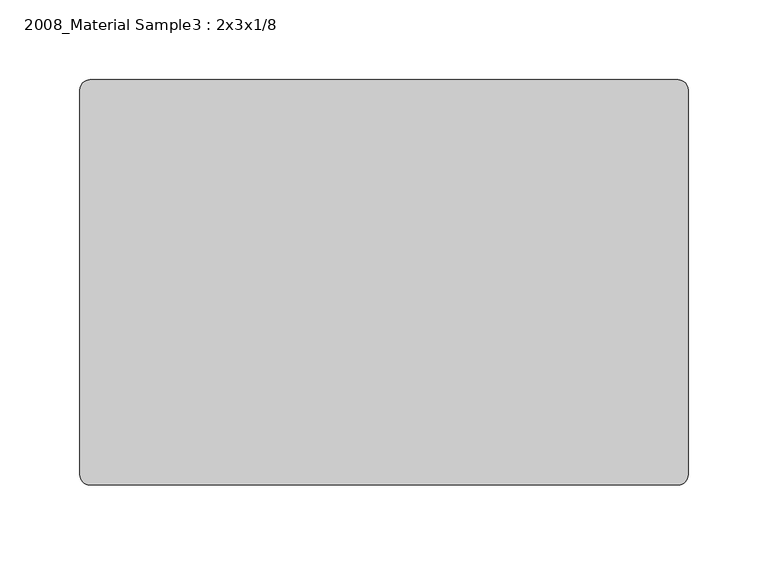
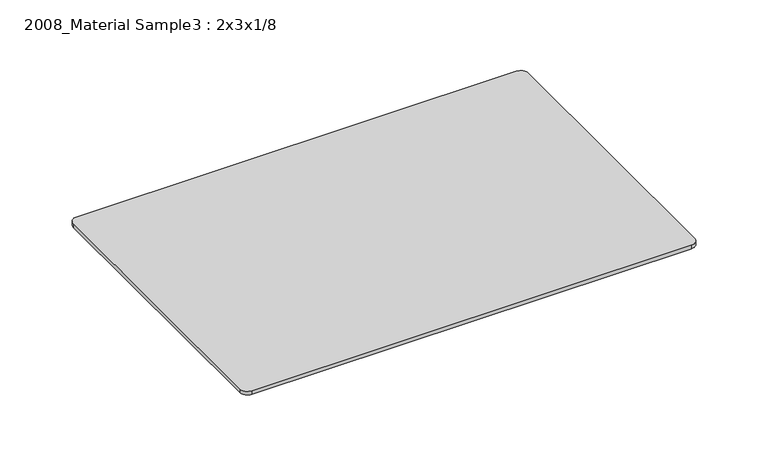
"""IFC4 building model written with IfcOpenShell, lengths in millimetres: furniture geometry, 2008_Material Sample3 : 2x3x1/8."""

from ifc_helpers import new_model, si_unit, point, frame, frame_2d, origin, place, context, project, spatial, polyline, circle_curve, trimmed, segment, composite_curve, outline, extrude, source, transform, mapped, element, save


def furniture_2008_material_sample3_2x3x1_8_96bf408c(model_context):
    return source(origin(), model_context, "Body", "SweptSolid", [
        extrude(outline(composite_curve([segment(trimmed(circle_curve(frame_2d((21215.2392185, 10811.8982463)), 6.35), [point((21215.2392185, 10818.2482463))], [point((21221.5892185, 10811.8982463))], False, "CARTESIAN"), True, "CONTINUOUS"), segment(polyline([(21221.5892185, 10811.8982463), (21221.5892185, 10570.5982463)]), True, "CONTINUOUS"), segment(trimmed(circle_curve(frame_2d((21215.2392185, 10570.5982463)), 6.35), [point((21221.5892185, 10570.5982463))], [point((21215.2392185, 10564.2482463))], False, "CARTESIAN"), True, "CONTINUOUS"), segment(polyline([(21215.2392185, 10564.2482463), (20846.9392185, 10564.2482463)]), True, "CONTINUOUS"), segment(trimmed(circle_curve(frame_2d((20846.9392185, 10570.5982463)), 6.35), [point((20846.9392185, 10564.2482463))], [point((20840.5892185, 10570.5982463))], False, "CARTESIAN"), True, "CONTINUOUS"), segment(polyline([(20840.5892185, 10570.5982463), (20840.5892185, 10811.8982463)]), True, "CONTINUOUS"), segment(trimmed(circle_curve(frame_2d((20846.9392185, 10811.8982463)), 6.35), [point((20840.5892185, 10811.8982463))], [point((20846.9392185, 10818.2482463))], False, "CARTESIAN"), True, "CONTINUOUS"), segment(polyline([(20846.9392185, 10818.2482463), (21215.2392185, 10818.2482463)]), True, "CONTINUOUS")], self_intersect=False)), frame((0.0, 0.0, -3.175), z_axis=(0.0, 0.0, 1.0), x_axis=(1.0, 0.0, 0.0)), (0.0, 0.0, 1.0), 3.175),
    ])


if __name__ == "__main__":
    model = new_model("IFC4")
    model_context = context("Model", 3, world=origin())
    ifc_project = project(units=[si_unit("LENGTHUNIT", "METRE", prefix="MILLI")], contexts=[model_context])
    site = spatial("IfcSite", under=ifc_project)
    building = spatial("IfcBuilding", under=site)
    placement = place(None, origin())
    furniture_2008_material_sample3_2x3x1_8_shape = furniture_2008_material_sample3_2x3x1_8_96bf408c(model_context)
    element("IfcFurniture", 1, ObjectType="2008_Material Sample3 : 2x3x1/8", at=placement, inside=building, context=model_context, shape_type="MappedRepresentation", body=[
        mapped(furniture_2008_material_sample3_2x3x1_8_shape, transform((0.0, 0.0, 0.0), x_axis=(1.0, 0.0, 0.0), y_axis=(0.0, 1.0, 0.0), z_axis=(0.0, 0.0, 1.0))),
    ])
    save(model, "model.ifc")
